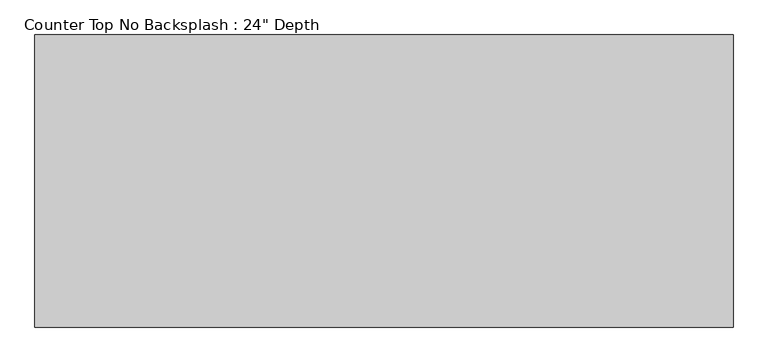
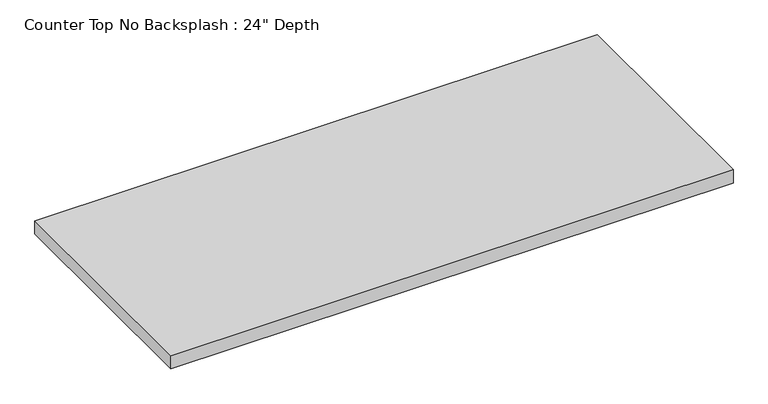
"""IFC4 building model written with IfcOpenShell, lengths in millimetres: furniture geometry."""

from ifc_helpers import new_model, si_unit, frame, origin, place, context, project, spatial, polyline, outline, extrude, source, transform, mapped, element, save


def furniture_5c15ff6d(model_context):
    return source(origin(), model_context, "Body", "SweptSolid", [
        extrude(outline(polyline([(317.1877049, 0.0), (-1200.4622951, 0.0), (-1200.4622951, 635.0), (317.1877049, 635.0), (317.1877049, 0.0)])), frame((0.0, 0.0, 876.3), z_axis=(0.0, 0.0, 1.0), x_axis=(1.0, 0.0, 0.0)), (0.0, 0.0, 1.0), 38.1),
    ])


if __name__ == "__main__":
    model = new_model("IFC4")
    model_context = context("Model", 3, world=origin())
    ifc_project = project(units=[si_unit("LENGTHUNIT", "METRE", prefix="MILLI")], contexts=[model_context])
    site = spatial("IfcSite", under=ifc_project)
    building = spatial("IfcBuilding", under=site)
    placement = place(None, origin())
    furniture_shape = furniture_5c15ff6d(model_context)
    element("IfcFurniture", 1, ObjectType="Counter Top No Backsplash : 24\" Depth", at=placement, inside=building, context=model_context, shape_type="MappedRepresentation", body=[
        mapped(furniture_shape, transform((0.0, 0.0, 0.0), x_axis=(1.0, 0.0, 0.0), y_axis=(0.0, 1.0, 0.0), z_axis=(0.0, 0.0, 1.0))),
    ])
    save(model, "model.ifc")
